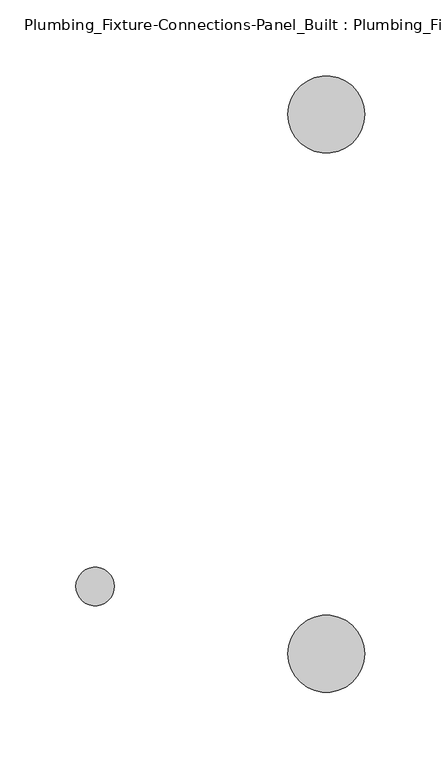
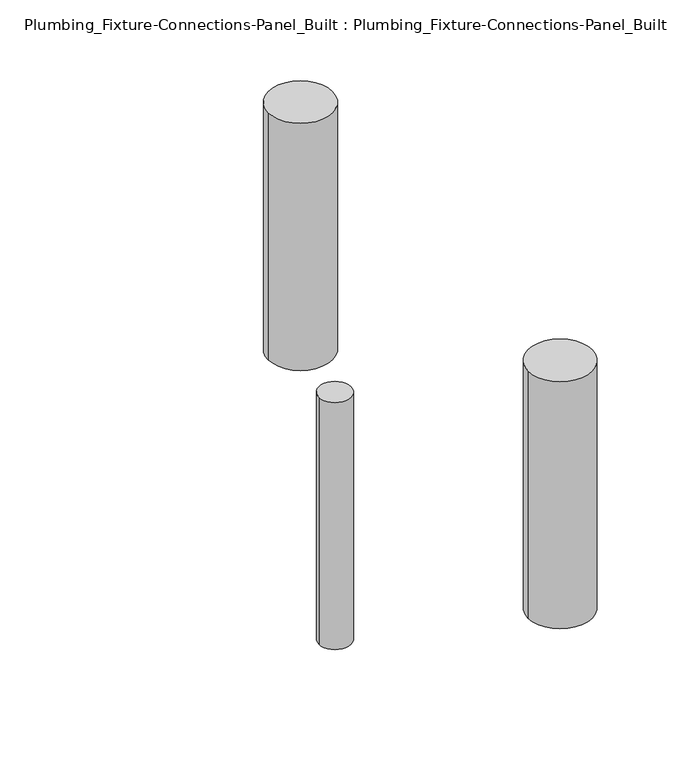
"""IFC4 building model written with IfcOpenShell, lengths in millimetres: flow terminal geometry, Plumbing_Fixture-Connections-Panel_Built : Plumbing_Fixture-Connections-Panel_Built."""

import ifcopenshell
import ifcopenshell.guid

model = None  # the IFC model being written
_history = None  # IfcOwnerHistory: only IFC2X3 demands one
_inside = {}  # id of a spatial element -> (the spatial element, [elements in it])
_under = {}  # id of a project, library or spatial element -> (it, [spatial elements below it])
_declared = {}  # id of a project -> (the project, [libraries it declares])
_typed = {}  # id of a type object -> (the type object, [elements of that type])
_made_of = {}  # id of a material, layer set ... -> (it, [elements and type objects made of it])


def new_model(schema):
    """Start an empty IFC model of exactly this schema.

    Asked for "IFC4X3", IfcOpenShell would pick the latest addendum, in which some entities
    have other attributes; the version numbers below select the first issue.
    IFC2X3 requires an IfcOwnerHistory on every rooted entity: one is made here for all.
    """
    global model, _history
    if schema == "IFC4X3":
        model = ifcopenshell.file(schema_version=(4, 3, 0, 0))
    else:
        model = ifcopenshell.file(schema=schema)
    _inside.clear()
    _under.clear()
    _declared.clear()
    _typed.clear()
    _made_of.clear()
    _history = None
    if model.schema == "IFC2X3":
        org = make("IfcOrganization", Name="unknown")
        user = make(
            "IfcPersonAndOrganization",
            ThePerson=make("IfcPerson", FamilyName="unknown"),
            TheOrganization=org,
        )
        app = make(
            "IfcApplication",
            ApplicationDeveloper=org,
            Version="unknown",
            ApplicationFullName="unknown",
            ApplicationIdentifier="unknown",
        )
        _history = make(
            "IfcOwnerHistory",
            OwningUser=user,
            OwningApplication=app,
            ChangeAction="ADDED",
            CreationDate=0,
        )
    return model


def make(cls, **values):
    """One entity of the class cls with the attributes given. An attribute that is None is left unset."""
    return model.create_entity(
        cls, **{name: value for name, value in values.items() if value is not None}
    )


def rooted(cls, **values):
    """An entity with a GlobalId (a new one), such as an element, a storey or a relation."""
    return make(cls, GlobalId=ifcopenshell.guid.new(), OwnerHistory=_history, **values)


def si_unit(unit_type, name, prefix=None):
    """IfcSIUnit, for example si_unit("LENGTHUNIT", "METRE", prefix="MILLI")."""
    return make("IfcSIUnit", UnitType=unit_type, Prefix=prefix, Name=name)


def assignment(units):
    """IfcUnitAssignment: the units of a project."""
    return None if units is None else make("IfcUnitAssignment", Units=units)


def point(xyz):
    """IfcCartesianPoint."""
    return None if xyz is None else make("IfcCartesianPoint", Coordinates=xyz)


def direction(xyz):
    """IfcDirection."""
    return None if xyz is None else make("IfcDirection", DirectionRatios=xyz)


def frame(location, z_axis=None, x_axis=None):
    """IfcAxis2Placement3D, a coordinate frame: its origin and axes. An axis left out is left unset."""
    return make(
        "IfcAxis2Placement3D",
        Location=point(location),
        Axis=direction(z_axis),
        RefDirection=direction(x_axis),
    )


def frame_2d(location, x_axis=None):
    """IfcAxis2Placement2D, a coordinate frame in the plane: its origin and x axis."""
    return make(
        "IfcAxis2Placement2D", Location=point(location), RefDirection=direction(x_axis)
    )


def origin():
    """The frame at (0, 0, 0) with its axes left unset."""
    return frame((0.0, 0.0, 0.0))


def place(relative_to, where):
    """IfcLocalPlacement: puts the frame where relative to a parent placement (None: the world)."""
    return make(
        "IfcLocalPlacement", PlacementRelTo=relative_to, RelativePlacement=where
    )


def context(
    kind, dimensions, precision=None, world=None, true_north=None, identifier=None
):
    """IfcGeometricRepresentationContext, for example the 3D "Model" context."""
    return make(
        "IfcGeometricRepresentationContext",
        ContextIdentifier=identifier,
        ContextType=kind,
        CoordinateSpaceDimension=dimensions,
        Precision=precision,
        WorldCoordinateSystem=world,
        TrueNorth=true_north,
    )


def project(units=None, contexts=None):
    """IfcProject with its units and contexts."""
    return rooted(
        "IfcProject",
        Name="project",
        RepresentationContexts=contexts,
        UnitsInContext=assignment(units),
    )


def spatial(cls, under=None, at=None, **own):
    """A site, building, storey or space (cls), placed at a placement, below another one or the project."""
    s = rooted(cls, ObjectPlacement=at, **own)
    if under is not None:
        _under.setdefault(under.id(), (under, []))[1].append(s)
    return s


def circle_curve(where, radius):
    """IfcCircle in the frame where."""
    return make("IfcCircle", Position=where, Radius=radius)


def trimmed(basis, trim1, trim2, sense, master):
    """IfcTrimmedCurve: the piece of a basis curve between two trims."""
    return make(
        "IfcTrimmedCurve",
        BasisCurve=basis,
        Trim1=trim1,
        Trim2=trim2,
        SenseAgreement=sense,
        MasterRepresentation=master,
    )


def segment(curve, same_sense, transition):
    """IfcCompositeCurveSegment."""
    return make(
        "IfcCompositeCurveSegment",
        Transition=transition,
        SameSense=same_sense,
        ParentCurve=curve,
    )


def composite_curve(segments, self_intersect=None):
    """IfcCompositeCurve: segments joined end to end."""
    return make("IfcCompositeCurve", Segments=segments, SelfIntersect=self_intersect)


def outline(outer, holes=None, kind="AREA"):
    """IfcArbitraryClosedProfileDef: a profile drawn as a closed curve; with holes, ...WithVoids."""
    if holes is None:
        return make("IfcArbitraryClosedProfileDef", ProfileType=kind, OuterCurve=outer)
    return make(
        "IfcArbitraryProfileDefWithVoids",
        ProfileType=kind,
        OuterCurve=outer,
        InnerCurves=holes,
    )


def extrude(swept, where, along, depth):
    """IfcExtrudedAreaSolid: the profile swept, set in the frame where, extruded along a direction by depth."""
    return make(
        "IfcExtrudedAreaSolid",
        SweptArea=swept,
        Position=where,
        ExtrudedDirection=direction(along),
        Depth=depth,
    )


def shape(context_of_items, identifier, shape_type, items):
    """IfcShapeRepresentation: the items that make up one representation, for example the "Body"."""
    return make(
        "IfcShapeRepresentation",
        ContextOfItems=context_of_items,
        RepresentationIdentifier=identifier,
        RepresentationType=shape_type,
        Items=items,
    )


def source(mapping_origin, context_of_items, identifier, shape_type, items):
    """IfcRepresentationMap: a shape defined once, which mapped items show again and again."""
    return make(
        "IfcRepresentationMap",
        MappingOrigin=mapping_origin,
        MappedRepresentation=shape(context_of_items, identifier, shape_type, items),
    )


def transform(
    local_origin,
    x_axis=None,
    y_axis=None,
    z_axis=None,
    scale=None,
    scale2=None,
    scale3=None,
    uniform=True,
):
    """IfcCartesianTransformationOperator3D, or its non-uniform kind. x_axis, y_axis, z_axis: its Axis1, 2, 3."""
    if uniform:
        return make(
            "IfcCartesianTransformationOperator3D",
            Axis1=direction(x_axis),
            Axis2=direction(y_axis),
            LocalOrigin=point(local_origin),
            Scale=scale,
            Axis3=direction(z_axis),
        )
    return make(
        "IfcCartesianTransformationOperator3DnonUniform",
        Axis1=direction(x_axis),
        Axis2=direction(y_axis),
        LocalOrigin=point(local_origin),
        Scale=scale,
        Axis3=direction(z_axis),
        Scale2=scale2,
        Scale3=scale3,
    )


def mapped(mapping_source, mapping_target):
    """IfcMappedItem: shows the shape of a source again, moved by a transform."""
    return make(
        "IfcMappedItem", MappingSource=mapping_source, MappingTarget=mapping_target
    )


def made_of(thing, what):
    """Note that an element or type object is made of a material, layer set ...; save() writes the relation."""
    if what is not None:
        _made_of.setdefault(what.id(), (what, []))[1].append(thing)
    return thing


def element(
    cls,
    number,
    at=None,
    inside=None,
    cuts=None,
    type_object=None,
    material=None,
    context=None,
    identifier="Body",
    shape_type=None,
    held_by="IfcProductDefinitionShape",
    body=None,
    shapes=None,
    **own,
):
    """One element of the class cls, such as IfcWall. Its Tag is "e" and its number.

    at: its placement. inside: the storey or other place that contains it. cuts: it is an
    opening in that element (IfcRelVoidsElement). A single representation is given by context,
    identifier, shape_type and body (its items); several are given by shapes. held_by: the class
    of the entity that holds the representations. save() writes the other relations.
    """
    e = rooted(cls, Tag="e%d" % number, ObjectPlacement=at, **own)
    if body is not None:
        shapes = [shape(context, identifier, shape_type, body)]
    if shapes is not None:
        e.Representation = make(held_by, Representations=shapes)
    if inside is not None:
        _inside.setdefault(inside.id(), (inside, []))[1].append(e)
    if cuts is not None:
        rooted(
            "IfcRelVoidsElement", RelatingBuildingElement=cuts, RelatedOpeningElement=e
        )
    if type_object is not None:
        _typed.setdefault(type_object.id(), (type_object, []))[1].append(e)
    return made_of(e, material)


def aggregate(whole, parts):
    """IfcRelAggregates: a whole, such as a stair, and the parts it consists of."""
    return rooted("IfcRelAggregates", RelatingObject=whole, RelatedObjects=parts)


def save(model, path):
    """Write the relations noted so far, then the file.

    IfcRelAggregates (storeys below a building ...), IfcRelContainedInSpatialStructure (elements
    in a storey), IfcRelDefinesByType, IfcRelAssociatesMaterial and IfcRelDeclares: one each for
    every whole, place, type object, material and project.
    """
    for whole, parts in _under.values():
        aggregate(whole, parts)
    for where, things in _inside.values():
        rooted(
            "IfcRelContainedInSpatialStructure",
            RelatedElements=things,
            RelatingStructure=where,
        )
    for kind, things in _typed.values():
        rooted("IfcRelDefinesByType", RelatedObjects=things, RelatingType=kind)
    for what, things in _made_of.values():
        rooted("IfcRelAssociatesMaterial", RelatedObjects=things, RelatingMaterial=what)
    for by, libraries in _declared.values():
        rooted("IfcRelDeclares", RelatingContext=by, RelatedDefinitions=libraries)
    model.write(path)


def plumbing_fixture_connections_panel_built_plumbing_fixture_27b89a87(model_context):
    return source(origin(), model_context, "Body", "SweptSolid", [
        extrude(outline(composite_curve([segment(trimmed(circle_curve(frame_2d((0.0, -76.2)), 25.4), [point((-25.4, -76.2))], [point((25.4, -76.2))], False, "CARTESIAN"), True, "CONTINUOUS"), segment(trimmed(circle_curve(frame_2d((0.0, -76.2)), 25.4), [point((25.4, -76.2))], [point((-25.4, -76.2))], False, "CARTESIAN"), True, "CONTINUOUS")], self_intersect=False)), frame((0.0, 0.0, -206.375), z_axis=(0.0, 0.0, 1.0), x_axis=(1.0, 0.0, 0.0)), (0.0, 0.0, 1.0), 206.375),
        extrude(outline(composite_curve([segment(trimmed(circle_curve(frame_2d((-152.4, -31.75)), 12.7), [point((-165.1, -31.75))], [point((-139.7, -31.75))], False, "CARTESIAN"), True, "CONTINUOUS"), segment(trimmed(circle_curve(frame_2d((-152.4, -31.75)), 12.7), [point((-139.7, -31.75))], [point((-165.1, -31.75))], False, "CARTESIAN"), True, "CONTINUOUS")], self_intersect=False)), frame((0.0, 0.0, -206.375), z_axis=(0.0, 0.0, 1.0), x_axis=(1.0, 0.0, 0.0)), (0.0, 0.0, 1.0), 206.375),
        extrude(outline(composite_curve([segment(trimmed(circle_curve(frame_2d((0.0, 279.4)), 25.4), [point((-25.4, 279.4))], [point((25.4, 279.4))], False, "CARTESIAN"), True, "CONTINUOUS"), segment(trimmed(circle_curve(frame_2d((0.0, 279.4)), 25.4), [point((25.4, 279.4))], [point((-25.4, 279.4))], False, "CARTESIAN"), True, "CONTINUOUS")], self_intersect=False)), frame((0.0, 0.0, -206.375), z_axis=(0.0, 0.0, 1.0), x_axis=(1.0, 0.0, 0.0)), (0.0, 0.0, 1.0), 206.375),
    ])


if __name__ == "__main__":
    model = new_model("IFC4")
    model_context = context("Model", 3, world=origin())
    ifc_project = project(units=[si_unit("LENGTHUNIT", "METRE", prefix="MILLI")], contexts=[model_context])
    site = spatial("IfcSite", under=ifc_project)
    building = spatial("IfcBuilding", under=site)
    placement = place(None, origin())
    plumbing_fixture_connections_panel_built_plumbing_fixture_shape = plumbing_fixture_connections_panel_built_plumbing_fixture_27b89a87(model_context)
    element("IfcFlowTerminal", 1, ObjectType="Plumbing_Fixture-Connections-Panel_Built : Plumbing_Fixture-Connections-Panel_Built", at=placement, inside=building, context=model_context, shape_type="MappedRepresentation", body=[
        mapped(plumbing_fixture_connections_panel_built_plumbing_fixture_shape, transform((0.0, 0.0, 0.0), x_axis=(1.0, 0.0, 0.0), y_axis=(0.0, 1.0, 0.0), z_axis=(0.0, 0.0, 1.0))),
    ])
    save(model, "model.ifc")
